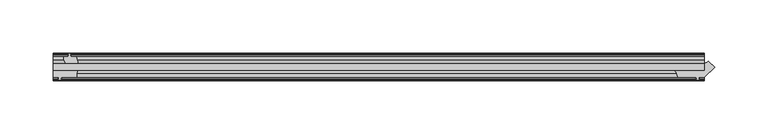
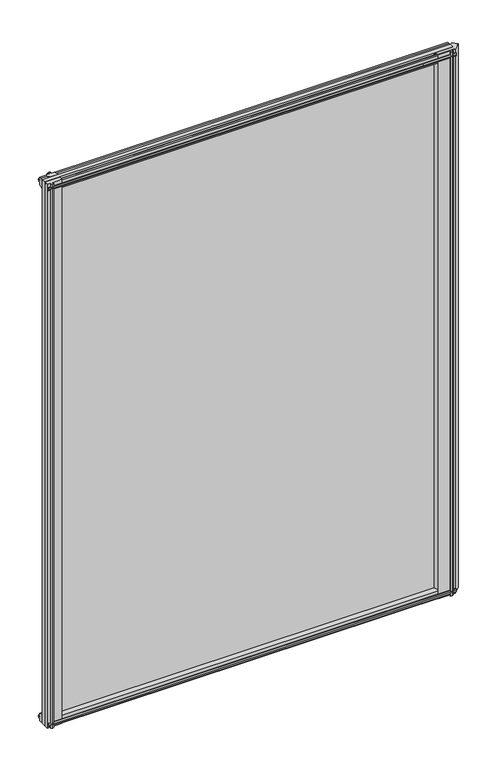
"""IFC4 building model written with IfcOpenShell, lengths in millimetres: plate geometry."""

from ifc_helpers import new_model, si_unit, point, frame, frame_2d, origin, place, context, project, spatial, polyline, circle_curve, trimmed, segment, composite_curve, outline, extrude, source, transform, mapped, element, save


def plate_98bde0b1(model_context):
    return source(origin(), model_context, "Body", "SweptSolid", [
        extrude(outline(polyline([(-311.15, -19.5460937), (301.7242188, -19.5460937), (301.7242188, -25.8960937), (-311.15, -25.8960937), (-311.15, -19.5460937)])), frame((0.0, 0.0, -12.7), z_axis=(0.0, 0.0, 1.0), x_axis=(1.0, 0.0, 0.0)), (0.0, 0.0, 1.0), 863.6),
        extrude(outline(composite_curve([segment(trimmed(circle_curve(frame_2d((299.1576023, -10.7286961)), 9.1800971), [point((301.7125348, -19.5460938))], [point((305.6489112, -17.2200049))], True, "CARTESIAN"), True, "CONTINUOUS"), segment(polyline([(305.6489112, -17.2200049), (311.6947439, -23.2658376), (301.7125348, -32.2460938), (296.6325348, -32.2460938), (296.3150348, -34.3506957), (297.5336406, -34.0241712), (297.7374348, -34.7847412), (295.3625348, -35.4210938), (292.9876348, -34.7847412), (293.1914289, -34.0241712), (294.4100348, -34.3506957), (294.0925348, -32.2460938), (276.6935348, -32.2460937)]), True, "CONTINUOUS"), segment(trimmed(circle_curve(frame_2d((268.8651173, -32.4967335)), 7.8324288), [point((276.6935348, -32.2460937))], [point((273.0815726, -25.8960938))], True, "CARTESIAN"), True, "CONTINUOUS"), segment(polyline([(273.0815726, -25.8960938), (301.7125348, -25.8960938), (301.7125348, -19.5460938)]), True, "CONTINUOUS")], self_intersect=False)), frame((0.0, 0.0, -12.7), z_axis=(0.0, 0.0, 1.0), x_axis=(1.0, 0.0, 0.0)), (0.0, 0.0, 1.0), 863.6),
        extrude(outline(composite_curve([segment(polyline([(-311.1542854, -32.2460937), (-311.1542854, -25.8960937), (-287.8322351, -25.8960937)]), True, "CONTINUOUS"), segment(trimmed(circle_curve(frame_2d((-280.043449, -30.5054843)), 9.0505066), [point((-287.8322351, -25.8960937))], [point((-288.925, -32.2460937))], True, "CARTESIAN"), True, "CONTINUOUS"), segment(polyline([(-288.925, -32.2460937), (-303.5342854, -32.2460937), (-303.8517854, -34.3506957), (-302.6331795, -34.0241712), (-302.4293854, -34.7847412), (-304.8042854, -35.4210937), (-307.1791854, -34.7847412), (-306.9753913, -34.0241712), (-305.7567854, -34.3506957), (-306.0742854, -32.2460937), (-311.1542854, -32.2460937)]), True, "CONTINUOUS")], self_intersect=False)), frame((0.0, 0.0, -12.7), z_axis=(0.0, 0.0, 1.0), x_axis=(1.0, 0.0, 0.0)), (0.0, 0.0, 1.0), 863.6),
        extrude(outline(polyline([(-296.5577, -10.8158968), (-297.973229, -11.27583), (-297.973229, -10.4746158), (-295.7957, -9.7670937), (-293.6181709, -10.4746158), (-293.6181709, -11.27583), (-295.0337, -10.8158968), (-294.6527, -13.1960937), (-289.4457, -13.1960937), (-287.3404229, -19.5460937), (-299.1710038, -19.5460937), (-301.3837, -16.1424937), (-301.3837, -13.1960937), (-296.9387, -13.1960937), (-296.5577, -10.8158968)])), frame((0.0, 0.0, -12.7), z_axis=(0.0, 0.0, 1.0), x_axis=(1.0, 0.0, 0.0)), (0.0, 0.0, 1.0), 863.6),
        extrude(outline(polyline([(-13.1960937, 850.6587), (-13.1960937, 846.2137), (-10.8158968, 845.8327), (-11.27583, 847.248229), (-10.4746158, 847.248229), (-9.7670937, 845.0707), (-10.4746158, 842.8931709), (-11.27583, 842.8931709), (-10.8158968, 844.3087), (-13.1960937, 843.9277), (-13.1960937, 838.7207), (-19.5460937, 836.6154229), (-19.5460937, 848.4460038), (-16.1424937, 850.6587), (-13.1960937, 850.6587)])), frame((-311.15, 0.0, 0.0), z_axis=(1.0, 0.0, 0.0), x_axis=(0.0, 1.0, 0.0)), (0.0, 0.0, 1.0), 612.8742188),
        extrude(outline(polyline([(-29.2996937, 850.138), (-25.8960937, 847.9253038), (-25.8960937, 836.0947229), (-32.2460937, 838.2), (-32.2460937, 843.407), (-34.6262907, 843.788), (-34.1663575, 842.3724709), (-34.9675717, 842.3724709), (-35.6750937, 844.55), (-34.9675717, 846.7275291), (-34.1663575, 846.7275291), (-34.6262907, 845.312), (-32.2460937, 845.693), (-32.2460937, 850.138), (-29.2996937, 850.138)])), frame((-311.15, 0.0, 0.0), z_axis=(1.0, 0.0, 0.0), x_axis=(0.0, 1.0, 0.0)), (0.0, 0.0, 1.0), 612.8742188),
        extrude(outline(polyline([(-25.8960937, 2.1052771), (-25.8960937, -9.7253038), (-29.2996937, -11.938), (-32.2460937, -11.938), (-32.2460937, -7.493), (-34.6262907, -7.112), (-34.1663575, -8.5275291), (-34.9675717, -8.5275291), (-35.6750937, -6.35), (-34.9675717, -4.1724709), (-34.1663575, -4.1724709), (-34.6262907, -5.588), (-32.2460937, -5.207), (-32.2460937, 0.0), (-25.8960937, 2.1052771)])), frame((-311.15, 0.0, 0.0), z_axis=(1.0, 0.0, 0.0), x_axis=(0.0, 1.0, 0.0)), (0.0, 0.0, 1.0), 612.8742188),
        extrude(outline(polyline([(-19.5460937, 1.5845771), (-13.1960937, -0.5207), (-13.1960937, -5.7277), (-10.8158968, -6.1087), (-11.27583, -4.6931709), (-10.4746158, -4.6931709), (-9.7670937, -6.8707), (-10.4746158, -9.048229), (-11.27583, -9.048229), (-10.8158968, -7.6327), (-13.1960937, -8.0137), (-13.1960937, -12.4587), (-16.1424937, -12.4587), (-19.5460937, -10.2460038), (-19.5460937, 1.5845771)])), frame((-311.15, 0.0, 0.0), z_axis=(1.0, 0.0, 0.0), x_axis=(0.0, 1.0, 0.0)), (0.0, 0.0, 1.0), 612.8742188),
    ])


if __name__ == "__main__":
    model = new_model("IFC4")
    model_context = context("Model", 3, world=origin())
    ifc_project = project(units=[si_unit("LENGTHUNIT", "METRE", prefix="MILLI")], contexts=[model_context])
    site = spatial("IfcSite", under=ifc_project)
    building = spatial("IfcBuilding", under=site)
    placement = place(None, origin())
    plate_shape = plate_98bde0b1(model_context)
    element("IfcPlate", 1, at=placement, inside=building, context=model_context, shape_type="MappedRepresentation", body=[
        mapped(plate_shape, transform((0.0, 0.0, 0.0), x_axis=(1.0, 0.0, 0.0), y_axis=(0.0, 1.0, 0.0), z_axis=(0.0, 0.0, 1.0))),
    ])
    save(model, "model.ifc")
